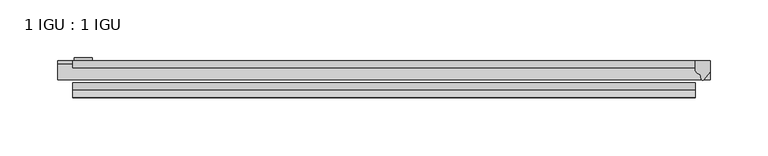
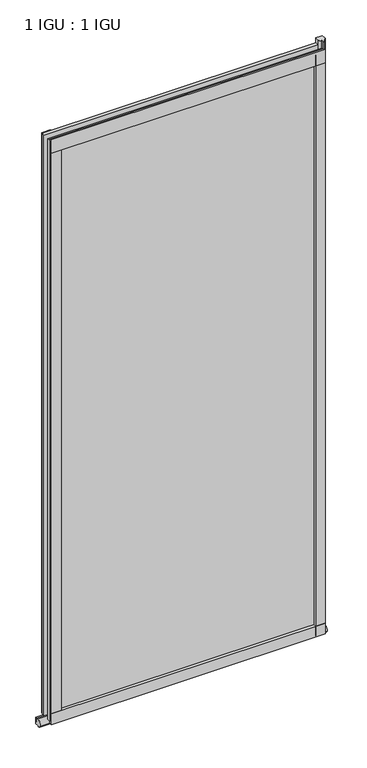
"""IFC4 building model written with IfcOpenShell, lengths in millimetres: plate geometry, 1 IGU : 1 IGU."""

import ifcopenshell
import ifcopenshell.guid

model = None  # the IFC model being written
_history = None  # IfcOwnerHistory: only IFC2X3 demands one
_inside = {}  # id of a spatial element -> (the spatial element, [elements in it])
_under = {}  # id of a project, library or spatial element -> (it, [spatial elements below it])
_declared = {}  # id of a project -> (the project, [libraries it declares])
_typed = {}  # id of a type object -> (the type object, [elements of that type])
_made_of = {}  # id of a material, layer set ... -> (it, [elements and type objects made of it])


def new_model(schema):
    """Start an empty IFC model of exactly this schema.

    Asked for "IFC4X3", IfcOpenShell would pick the latest addendum, in which some entities
    have other attributes; the version numbers below select the first issue.
    IFC2X3 requires an IfcOwnerHistory on every rooted entity: one is made here for all.
    """
    global model, _history
    if schema == "IFC4X3":
        model = ifcopenshell.file(schema_version=(4, 3, 0, 0))
    else:
        model = ifcopenshell.file(schema=schema)
    _inside.clear()
    _under.clear()
    _declared.clear()
    _typed.clear()
    _made_of.clear()
    _history = None
    if model.schema == "IFC2X3":
        org = make("IfcOrganization", Name="unknown")
        user = make(
            "IfcPersonAndOrganization",
            ThePerson=make("IfcPerson", FamilyName="unknown"),
            TheOrganization=org,
        )
        app = make(
            "IfcApplication",
            ApplicationDeveloper=org,
            Version="unknown",
            ApplicationFullName="unknown",
            ApplicationIdentifier="unknown",
        )
        _history = make(
            "IfcOwnerHistory",
            OwningUser=user,
            OwningApplication=app,
            ChangeAction="ADDED",
            CreationDate=0,
        )
    return model


def make(cls, **values):
    """One entity of the class cls with the attributes given. An attribute that is None is left unset."""
    return model.create_entity(
        cls, **{name: value for name, value in values.items() if value is not None}
    )


def rooted(cls, **values):
    """An entity with a GlobalId (a new one), such as an element, a storey or a relation."""
    return make(cls, GlobalId=ifcopenshell.guid.new(), OwnerHistory=_history, **values)


def si_unit(unit_type, name, prefix=None):
    """IfcSIUnit, for example si_unit("LENGTHUNIT", "METRE", prefix="MILLI")."""
    return make("IfcSIUnit", UnitType=unit_type, Prefix=prefix, Name=name)


def assignment(units):
    """IfcUnitAssignment: the units of a project."""
    return None if units is None else make("IfcUnitAssignment", Units=units)


def point(xyz):
    """IfcCartesianPoint."""
    return None if xyz is None else make("IfcCartesianPoint", Coordinates=xyz)


def direction(xyz):
    """IfcDirection."""
    return None if xyz is None else make("IfcDirection", DirectionRatios=xyz)


def frame(location, z_axis=None, x_axis=None):
    """IfcAxis2Placement3D, a coordinate frame: its origin and axes. An axis left out is left unset."""
    return make(
        "IfcAxis2Placement3D",
        Location=point(location),
        Axis=direction(z_axis),
        RefDirection=direction(x_axis),
    )


def frame_2d(location, x_axis=None):
    """IfcAxis2Placement2D, a coordinate frame in the plane: its origin and x axis."""
    return make(
        "IfcAxis2Placement2D", Location=point(location), RefDirection=direction(x_axis)
    )


def origin():
    """The frame at (0, 0, 0) with its axes left unset."""
    return frame((0.0, 0.0, 0.0))


def place(relative_to, where):
    """IfcLocalPlacement: puts the frame where relative to a parent placement (None: the world)."""
    return make(
        "IfcLocalPlacement", PlacementRelTo=relative_to, RelativePlacement=where
    )


def context(
    kind, dimensions, precision=None, world=None, true_north=None, identifier=None
):
    """IfcGeometricRepresentationContext, for example the 3D "Model" context."""
    return make(
        "IfcGeometricRepresentationContext",
        ContextIdentifier=identifier,
        ContextType=kind,
        CoordinateSpaceDimension=dimensions,
        Precision=precision,
        WorldCoordinateSystem=world,
        TrueNorth=true_north,
    )


def project(units=None, contexts=None):
    """IfcProject with its units and contexts."""
    return rooted(
        "IfcProject",
        Name="project",
        RepresentationContexts=contexts,
        UnitsInContext=assignment(units),
    )


def spatial(cls, under=None, at=None, **own):
    """A site, building, storey or space (cls), placed at a placement, below another one or the project."""
    s = rooted(cls, ObjectPlacement=at, **own)
    if under is not None:
        _under.setdefault(under.id(), (under, []))[1].append(s)
    return s


def polyline(points):
    """IfcPolyline through the points."""
    return make("IfcPolyline", Points=[point(p) for p in points])


def circle_curve(where, radius):
    """IfcCircle in the frame where."""
    return make("IfcCircle", Position=where, Radius=radius)


def ellipse_curve(where, semi_axis1, semi_axis2):
    """IfcEllipse in the frame where."""
    return make(
        "IfcEllipse", Position=where, SemiAxis1=semi_axis1, SemiAxis2=semi_axis2
    )


def trimmed(basis, trim1, trim2, sense, master):
    """IfcTrimmedCurve: the piece of a basis curve between two trims."""
    return make(
        "IfcTrimmedCurve",
        BasisCurve=basis,
        Trim1=trim1,
        Trim2=trim2,
        SenseAgreement=sense,
        MasterRepresentation=master,
    )


def segment(curve, same_sense, transition):
    """IfcCompositeCurveSegment."""
    return make(
        "IfcCompositeCurveSegment",
        Transition=transition,
        SameSense=same_sense,
        ParentCurve=curve,
    )


def composite_curve(segments, self_intersect=None):
    """IfcCompositeCurve: segments joined end to end."""
    return make("IfcCompositeCurve", Segments=segments, SelfIntersect=self_intersect)


def outline(outer, holes=None, kind="AREA"):
    """IfcArbitraryClosedProfileDef: a profile drawn as a closed curve; with holes, ...WithVoids."""
    if holes is None:
        return make("IfcArbitraryClosedProfileDef", ProfileType=kind, OuterCurve=outer)
    return make(
        "IfcArbitraryProfileDefWithVoids",
        ProfileType=kind,
        OuterCurve=outer,
        InnerCurves=holes,
    )


def extrude(swept, where, along, depth):
    """IfcExtrudedAreaSolid: the profile swept, set in the frame where, extruded along a direction by depth."""
    return make(
        "IfcExtrudedAreaSolid",
        SweptArea=swept,
        Position=where,
        ExtrudedDirection=direction(along),
        Depth=depth,
    )


def shape(context_of_items, identifier, shape_type, items):
    """IfcShapeRepresentation: the items that make up one representation, for example the "Body"."""
    return make(
        "IfcShapeRepresentation",
        ContextOfItems=context_of_items,
        RepresentationIdentifier=identifier,
        RepresentationType=shape_type,
        Items=items,
    )


def source(mapping_origin, context_of_items, identifier, shape_type, items):
    """IfcRepresentationMap: a shape defined once, which mapped items show again and again."""
    return make(
        "IfcRepresentationMap",
        MappingOrigin=mapping_origin,
        MappedRepresentation=shape(context_of_items, identifier, shape_type, items),
    )


def transform(
    local_origin,
    x_axis=None,
    y_axis=None,
    z_axis=None,
    scale=None,
    scale2=None,
    scale3=None,
    uniform=True,
):
    """IfcCartesianTransformationOperator3D, or its non-uniform kind. x_axis, y_axis, z_axis: its Axis1, 2, 3."""
    if uniform:
        return make(
            "IfcCartesianTransformationOperator3D",
            Axis1=direction(x_axis),
            Axis2=direction(y_axis),
            LocalOrigin=point(local_origin),
            Scale=scale,
            Axis3=direction(z_axis),
        )
    return make(
        "IfcCartesianTransformationOperator3DnonUniform",
        Axis1=direction(x_axis),
        Axis2=direction(y_axis),
        LocalOrigin=point(local_origin),
        Scale=scale,
        Axis3=direction(z_axis),
        Scale2=scale2,
        Scale3=scale3,
    )


def mapped(mapping_source, mapping_target):
    """IfcMappedItem: shows the shape of a source again, moved by a transform."""
    return make(
        "IfcMappedItem", MappingSource=mapping_source, MappingTarget=mapping_target
    )


def made_of(thing, what):
    """Note that an element or type object is made of a material, layer set ...; save() writes the relation."""
    if what is not None:
        _made_of.setdefault(what.id(), (what, []))[1].append(thing)
    return thing


def element(
    cls,
    number,
    at=None,
    inside=None,
    cuts=None,
    type_object=None,
    material=None,
    context=None,
    identifier="Body",
    shape_type=None,
    held_by="IfcProductDefinitionShape",
    body=None,
    shapes=None,
    **own,
):
    """One element of the class cls, such as IfcWall. Its Tag is "e" and its number.

    at: its placement. inside: the storey or other place that contains it. cuts: it is an
    opening in that element (IfcRelVoidsElement). A single representation is given by context,
    identifier, shape_type and body (its items); several are given by shapes. held_by: the class
    of the entity that holds the representations. save() writes the other relations.
    """
    e = rooted(cls, Tag="e%d" % number, ObjectPlacement=at, **own)
    if body is not None:
        shapes = [shape(context, identifier, shape_type, body)]
    if shapes is not None:
        e.Representation = make(held_by, Representations=shapes)
    if inside is not None:
        _inside.setdefault(inside.id(), (inside, []))[1].append(e)
    if cuts is not None:
        rooted(
            "IfcRelVoidsElement", RelatingBuildingElement=cuts, RelatedOpeningElement=e
        )
    if type_object is not None:
        _typed.setdefault(type_object.id(), (type_object, []))[1].append(e)
    return made_of(e, material)


def aggregate(whole, parts):
    """IfcRelAggregates: a whole, such as a stair, and the parts it consists of."""
    return rooted("IfcRelAggregates", RelatingObject=whole, RelatedObjects=parts)


def save(model, path):
    """Write the relations noted so far, then the file.

    IfcRelAggregates (storeys below a building ...), IfcRelContainedInSpatialStructure (elements
    in a storey), IfcRelDefinesByType, IfcRelAssociatesMaterial and IfcRelDeclares: one each for
    every whole, place, type object, material and project.
    """
    for whole, parts in _under.values():
        aggregate(whole, parts)
    for where, things in _inside.values():
        rooted(
            "IfcRelContainedInSpatialStructure",
            RelatedElements=things,
            RelatingStructure=where,
        )
    for kind, things in _typed.values():
        rooted("IfcRelDefinesByType", RelatedObjects=things, RelatingType=kind)
    for what, things in _made_of.values():
        rooted("IfcRelAssociatesMaterial", RelatedObjects=things, RelatingMaterial=what)
    for by, libraries in _declared.values():
        rooted("IfcRelDeclares", RelatingContext=by, RelatedDefinitions=libraries)
    model.write(path)


def plane_surface(at):
    """IfcPlane: the flat surface through the origin of the frame at, square to its z axis."""
    return make("IfcPlane", Position=at)


def revolved_surface(curve, axis_point, axis_direction):
    """IfcSurfaceOfRevolution: the curve turned about the line through axis_point along axis_direction."""
    return make(
        "IfcSurfaceOfRevolution",
        SweptCurve=make("IfcArbitraryOpenProfileDef", ProfileType="CURVE", Curve=curve),
        AxisPosition=make("IfcAxis1Placement", Location=point(axis_point), Axis=direction(axis_direction)),
    )


def extruded_surface(curve, direction_of_extrusion, depth):
    """IfcSurfaceOfLinearExtrusion: the curve pushed along a direction by depth."""
    return make(
        "IfcSurfaceOfLinearExtrusion",
        SweptCurve=make("IfcArbitraryOpenProfileDef", ProfileType="CURVE", Curve=curve),
        ExtrudedDirection=direction(direction_of_extrusion),
        Depth=depth,
    )


def advanced_brep(points, edges, surfaces, faces):
    """IfcAdvancedBrep: a solid bounded by faces that lie on surfaces and meet in shared edges.

    An edge is (start, end): straight between two places in points (the first is 0);
    or (start, end, curve); or (start, end, curve, False) where it runs against its curve.
    A face is (place in surfaces, loops), or (place, loops, False) where it looks against
    its surface's normal. A loop lists edges by number (the first is 1), with a minus sign
    where the edge is run from its end to its start. The first loop is the outer one.
    """
    corners = [point(p) for p in points]
    vertices = [make("IfcVertexPoint", VertexGeometry=c) for c in corners]
    made = []
    for start, end, *more in edges:
        made.append(
            make(
                "IfcEdgeCurve",
                EdgeStart=vertices[start],
                EdgeEnd=vertices[end],
                EdgeGeometry=more[0] if more else make("IfcPolyline", Points=[corners[start], corners[end]]),
                SameSense=more[1] if len(more) > 1 else True,
            )
        )
    hull = []
    for where, loops, *sense in faces:
        bounds = []
        for j, loop in enumerate(loops):
            ring = [make("IfcOrientedEdge", EdgeElement=made[abs(k) - 1], Orientation=k > 0) for k in loop]
            bounds.append(
                make(
                    "IfcFaceOuterBound" if j == 0 else "IfcFaceBound",
                    Bound=make("IfcEdgeLoop", EdgeList=ring),
                    Orientation=True,
                )
            )
        hull.append(make("IfcAdvancedFace", Bounds=bounds, FaceSurface=surfaces[where], SameSense=sense[0] if sense else True))
    return make("IfcAdvancedBrep", Outer=make("IfcClosedShell", CfsFaces=hull))


def plate_1_igu_1_igu_25caf93b(model_context):
    return source(origin(), model_context, "Body", "SolidModel", [
        extrude(outline(polyline([(268.605, 0.0021347), (268.605, -6.2992), (-268.605, -6.2992), (-268.605, 0.0021347), (268.605, 0.0021347)])), frame((0.0, 0.0, -19.05), z_axis=(0.0, 0.0, 1.0), x_axis=(1.0, 0.0, 0.0)), (0.0, 0.0, 1.0), 1203.325),
        extrude(outline(polyline([(-268.605, -19.0986653), (268.605, -19.0986653), (268.605, -25.3978653), (-268.605, -25.3978653), (-268.605, -19.0986653)])), frame((0.0, 0.0, -19.05), z_axis=(0.0, 0.0, 1.0), x_axis=(1.0, 0.0, 0.0)), (0.0, 0.0, 1.0), 1203.325),
        advanced_brep(
        [(281.305, -2.9334208, -29.3692082), (281.305, -15.7658436, -30.8313288), (281.305, -6.7904952, -34.925), (281.305, 0.0, -34.925), (281.305, 0.0, -22.225), (281.305, -2.5187477, -22.225), (-281.305, -2.9073519, -29.3720514), (-281.305, -2.5187477, -22.225), (-281.305, 0.0, -22.225), (-281.305, 0.0, -34.925), (-281.305, -6.7904952, -34.925), (-281.305, -15.7658436, -30.8313288)],
        [
            (0, 1, ellipse_curve(frame((281.305, -9.5065066, -28.575), z_axis=(1.0, 0.0, 0.0), x_axis=(0.0, 0.0, -1.0)), 6.9638038, 6.6162554)),
            (1, 2, ellipse_curve(frame((281.305, -9.5065066, -28.575), z_axis=(1.0, 0.0, 0.0), x_axis=(0.0, 0.0, -1.0)), 6.9638038, 6.6162554)),
            (2, 3),
            (3, 4, circle_curve(frame((281.305, 24.1576838, -28.575), z_axis=(-1.0, 0.0, 0.0), x_axis=(0.0, 0.0, 1.0)), 24.9783143)),
            (4, 5),
            (5, 0, circle_curve(frame((281.305, -68.4358767, -22.225), z_axis=(-1.0, 0.0, 0.0), x_axis=(0.0, 0.0, 1.0)), 65.917129)),
            (6, 7, circle_curve(frame((-281.305, -68.4358767, -22.225), z_axis=(1.0, 0.0, 0.0), x_axis=(0.0, 0.0, 1.0)), 65.917129)),
            (7, 8),
            (8, 9, circle_curve(frame((-281.305, 24.1576838, -28.575), z_axis=(1.0, 0.0, 0.0), x_axis=(0.0, 0.0, 1.0)), 24.9783143)),
            (9, 10),
            (10, 11, ellipse_curve(frame((-281.305, -9.5065066, -28.575), z_axis=(-1.0, 0.0, 0.0), x_axis=(0.0, 0.0, -1.0)), 6.9638038, 6.6162554)),
            (11, 6, ellipse_curve(frame((-281.305, -9.5065066, -28.575), z_axis=(-1.0, 0.0, 0.0), x_axis=(0.0, 0.0, -1.0)), 6.9638038, 6.6162554)),
            (0, 6),
            (11, 1),
            (10, 2),
            (9, 3),
            (8, 4),
            (7, 5),
        ],
        [
            plane_surface(frame((281.305, 0.0, -28.575), z_axis=(1.0, 0.0, 0.0), x_axis=(0.0, 1.0, 0.0))),
            plane_surface(frame((-281.305, 0.0, -28.575), z_axis=(-1.0, 0.0, 0.0), x_axis=(0.0, 1.0, 0.0))),
            extruded_surface(trimmed(ellipse_curve(frame((-281.305, -9.5065066, -28.575), z_axis=(1.0, 0.0, 0.0), x_axis=(0.0, 0.0, -1.0)), 6.9638038, 6.6162554), [point((-281.305, -2.9334208, -29.3692082))], [point((-281.305, -15.7658436, -30.8313288))], True, "CARTESIAN"), (562.61, 0.0, 0.0), 562.61),
            extruded_surface(trimmed(ellipse_curve(frame((-281.305, -9.5065066, -28.575), z_axis=(1.0, 0.0, 0.0), x_axis=(0.0, 0.0, -1.0)), 6.9638038, 6.6162554), [point((-281.305, -15.7658436, -30.8313288))], [point((-281.305, -6.7904952, -34.925))], True, "CARTESIAN"), (562.61, 0.0, 0.0), 562.61),
            plane_surface(frame((281.305, -6.7904952, -34.925), z_axis=(0.0, 0.0, -1.0), x_axis=(-1.0, 0.0, 0.0))),
            revolved_surface(polyline([(-281.305, 24.1576838, -3.5966856999999983), (281.305, 24.1576838, -3.5966856999999983)]), (281.305, 24.1576838, -28.575), (-1.0, 0.0, 0.0)),
            plane_surface(frame((281.305, 0.0, -22.225), z_axis=(0.0, 0.0, 1.0), x_axis=(-1.0, 0.0, 0.0))),
            revolved_surface(polyline([(-281.305, -68.4358767, 43.692129), (281.305, -68.4358767, 43.692129)]), (281.305, -68.4358767, -22.225), (-1.0, 0.0, 0.0)),
        ],
        [
            (0, [[1, 2, 3, 4, 5, 6]]),
            (1, [[7, 8, 9, 10, 11, 12]]),
            (2, [[-1, 13, -12, 14]]),
            (3, [[-2, -14, -11, 15]]),
            (4, [[-3, -15, -10, 16]]),
            (5, [[-4, -16, -9, 17]]),
            (6, [[-5, -17, -8, 18]]),
            (7, [[-6, -18, -7, -13]]),
        ],
    ),
        extrude(outline(composite_curve([segment(polyline([(281.305, 0.0), (281.305, -9.7395025), (275.7387691, -16.3730781)]), True, "CONTINUOUS"), segment(trimmed(circle_curve(frame_2d((274.7850941, -15.7728374)), 1.1268473), [point((275.7387691, -16.3730781))], [point((273.6841412, -16.0130197))], False, "CARTESIAN"), True, "CONTINUOUS"), segment(polyline([(273.6841412, -16.0130197), (272.7039498, -11.7377885)]), True, "CONTINUOUS"), segment(trimmed(circle_curve(frame_2d((272.5764979, -7.7683362)), 3.9714979), [point((272.7039498, -11.7377885))], [point((268.6051786, -7.8060014))], False, "CARTESIAN"), True, "CONTINUOUS"), segment(polyline([(268.6051786, -7.8060014), (268.6051786, 0.0), (281.305, 0.0)]), True, "CONTINUOUS")], self_intersect=False)), frame((0.0, 0.0, -19.05), z_axis=(0.0, 0.0, 1.0), x_axis=(1.0, 0.0, 0.0)), (0.0, 0.0, 1.0), 1213.6374),
        extrude(outline(composite_curve([segment(polyline([(-31.75, 0.0), (-25.4, 0.0), (-25.4, -22.225)]), True, "CONTINUOUS"), segment(trimmed(circle_curve(frame_2d((-28.575, -28.9113452)), 7.4018806), [point((-25.4, -22.225))], [point((-31.75, -22.225))], True, "CARTESIAN"), True, "CONTINUOUS"), segment(polyline([(-31.75, -22.225), (-31.75, 0.0)]), True, "CONTINUOUS")], self_intersect=False)), frame((-268.605, 0.0, 0.0), z_axis=(1.0, 0.0, 0.0), x_axis=(0.0, 1.0, 0.0)), (0.0, 0.0, 1.0), 537.21),
        extrude(outline(composite_curve([segment(polyline([(-25.4, 1187.45), (-25.4, 1162.05), (-31.75, 1162.05), (-31.75, 1190.2228973)]), True, "CONTINUOUS"), segment(trimmed(circle_curve(frame_2d((-24.1401272, 1198.9924115)), 11.6109665), [point((-31.75, 1190.2228973))], [point((-25.4, 1187.45))], True, "CARTESIAN"), True, "CONTINUOUS")], self_intersect=False)), frame((-268.605, 0.0, 0.0), z_axis=(1.0, 0.0, 0.0), x_axis=(0.0, 1.0, 0.0)), (0.0, 0.0, 1.0), 537.21),
        extrude(outline(composite_curve([segment(polyline([(249.555, -25.4), (268.605, -25.4)]), True, "CONTINUOUS"), segment(trimmed(circle_curve(frame_2d((278.0711507, -28.575)), 9.9844196), [point((268.605, -25.4))], [point((268.605, -31.75))], True, "CARTESIAN"), True, "CONTINUOUS"), segment(polyline([(268.605, -31.75), (249.555, -31.75), (249.555, -25.4)]), True, "CONTINUOUS")], self_intersect=False)), frame((0.0, 0.0, -19.05), z_axis=(0.0, 0.0, 1.0), x_axis=(1.0, 0.0, 0.0)), (0.0, 0.0, 1.0), 1203.325),
        extrude(outline(composite_curve([segment(trimmed(circle_curve(frame_2d((-278.0711507, -28.575)), 9.9844196), [point((-268.605, -31.75))], [point((-268.605, -25.4))], True, "CARTESIAN"), True, "CONTINUOUS"), segment(polyline([(-268.605, -25.4), (-249.555, -25.4), (-249.555, -31.75), (-268.605, -31.75)]), True, "CONTINUOUS")], self_intersect=False)), frame((0.0, 0.0, -19.05), z_axis=(0.0, 0.0, 1.0), x_axis=(1.0, 0.0, 0.0)), (0.0, 0.0, 1.0), 1203.325),
        extrude(outline(polyline([(-267.3985, 0.0), (-267.3985, 2.286), (-251.5235, 2.286), (-251.5235, 0.0), (-267.3985, 0.0)])), frame((0.0, 0.0, -19.05), z_axis=(0.0, 0.0, 1.0), x_axis=(1.0, 0.0, 0.0)), (0.0, 0.0, 1.0), 1203.325),
    ])


if __name__ == "__main__":
    model = new_model("IFC4")
    model_context = context("Model", 3, world=origin())
    ifc_project = project(units=[si_unit("LENGTHUNIT", "METRE", prefix="MILLI")], contexts=[model_context])
    site = spatial("IfcSite", under=ifc_project)
    building = spatial("IfcBuilding", under=site)
    placement = place(None, origin())
    plate_1_igu_1_igu_shape = plate_1_igu_1_igu_25caf93b(model_context)
    element("IfcPlate", 1, ObjectType="1 IGU : 1 IGU", at=placement, inside=building, context=model_context, shape_type="MappedRepresentation", body=[
        mapped(plate_1_igu_1_igu_shape, transform((0.0, 0.0, 0.0), x_axis=(1.0, 0.0, 0.0), y_axis=(0.0, 1.0, 0.0), z_axis=(0.0, 0.0, 1.0))),
    ])
    save(model, "model.ifc")
